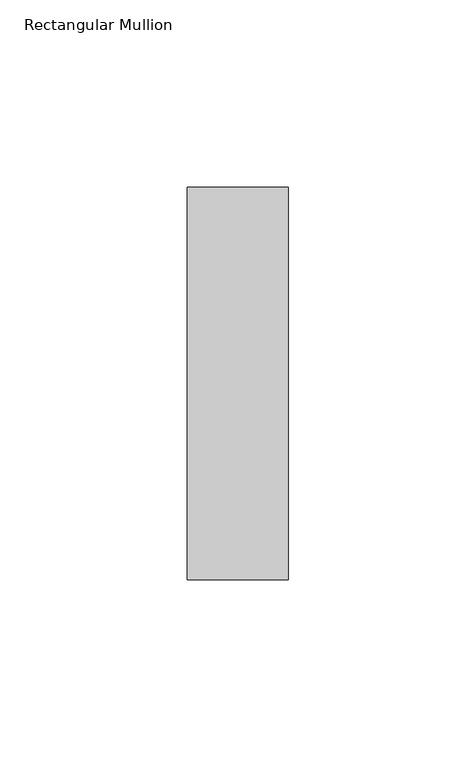
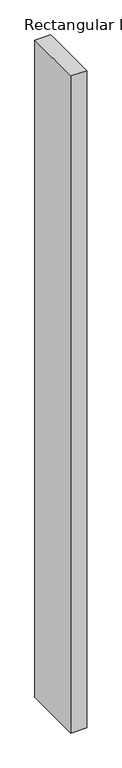
"""IFC4 building model written with IfcOpenShell, lengths in millimetres: member geometry, Rectangular Mullion."""

from ifc_helpers import new_model, si_unit, frame, origin, place, context, project, spatial, polyline, outline, extrude, source, transform, mapped, element, save


def rectangular_mullion_dfc91060(model_context):
    return source(origin(), model_context, "Body", "SweptSolid", [
        extrude(outline(polyline([(-27.0, 52.3975), (0.0, 52.3975), (0.0, -52.3975), (-27.0, -52.3975), (-27.0, 52.3975)])), frame((0.0, 0.0, -1173.0), z_axis=(0.0, 0.0, 1.0), x_axis=(1.0, 0.0, 0.0)), (0.0, 0.0, 1.0), 1173.0),
    ])


if __name__ == "__main__":
    model = new_model("IFC4")
    model_context = context("Model", 3, world=origin())
    ifc_project = project(units=[si_unit("LENGTHUNIT", "METRE", prefix="MILLI")], contexts=[model_context])
    site = spatial("IfcSite", under=ifc_project)
    building = spatial("IfcBuilding", under=site)
    placement = place(None, origin())
    rectangular_mullion_shape = rectangular_mullion_dfc91060(model_context)
    element("IfcMember", 1, ObjectType="Rectangular Mullion", at=placement, inside=building, context=model_context, shape_type="MappedRepresentation", body=[
        mapped(rectangular_mullion_shape, transform((0.0, 0.0, 0.0), x_axis=(1.0, 0.0, 0.0), y_axis=(0.0, 1.0, 0.0), z_axis=(0.0, 0.0, 1.0))),
    ])
    save(model, "model.ifc")
